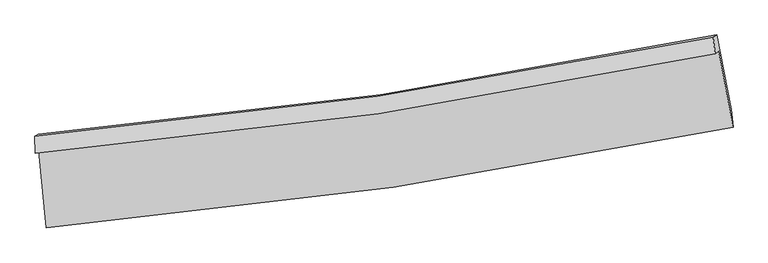
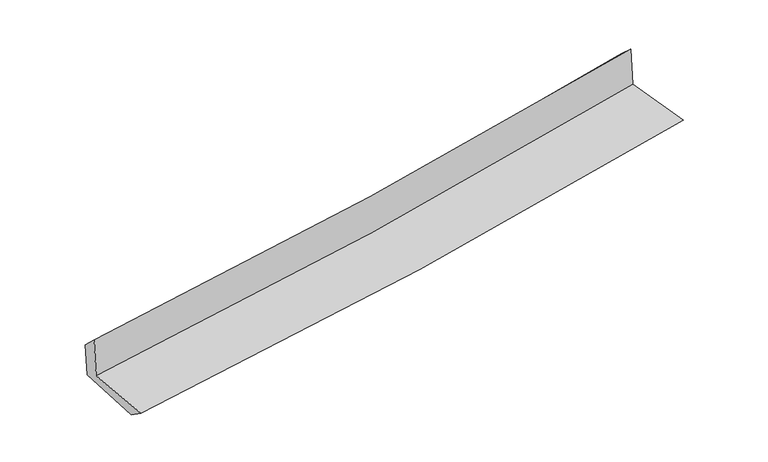
"""IFC4 building model written with IfcOpenShell, lengths in millimetres: proxy geometry."""

from ifc_helpers import new_model, si_unit, frame, origin, place, context, project, spatial, source, transform, mapped, element, save
from ifc_brep_helpers import plane_surface, spline_curve, spline_surface, advanced_brep


def generic_models_d3091068(model_context):
    return source(origin(), model_context, "Body", "AdvancedBrep", [
        advanced_brep(
        [(-2961.5729564, -1900.1111884, 1634.7176568), (-2896.8746032, -2562.8803945, 1616.8285819), (3020.7232604, -1696.7993723, 2121.2405261), (2896.8849583, -1042.3887753, 2144.8229398), (-2993.8693287, -1922.4661089, 2039.6753037), (2865.560091, -1064.1915362, 2539.4387899), (-2995.8766365, -1775.6691327, 1898.6889451), (2850.1037548, -920.0860698, 2412.8675463), (-2968.8746685, -1758.4166458, 1561.7288496), (2879.344908, -901.4028904, 2047.9644485), (-2902.62991, -2406.5249188, 1509.2111728), (3003.3381623, -1543.0195038, 1996.1111015)],
        [
            (0, 1),
            (1, 2, spline_curve(3, [(-2896.8746032, -2562.8803945, 1616.8285819), (-1896.452898573, -2476.921921366, 1707.244125373), (-900.147624416, -2361.152814463, 1794.723079178), (1072.286489439, -2071.74576294, 1962.790120394), (2048.513836574, -1898.821196103, 2043.448481444), (3020.7232604, -1696.7993723, 2121.2405261)], [4, 2, 4], [0.0, 9.861716168070076, 19.604720934094917])),
            (2, 3),
            (3, 0, spline_curve(3, [(2896.8849583, -1042.3887753, 2144.8229398), (1934.131730511, -1242.764875692, 2069.6503731), (967.52993644, -1414.173457775, 1989.840965654), (-985.195012984, -1700.791125424, 1819.919552441), (-1971.412523918, -1815.290014396, 1729.693865968), (-2961.5729564, -1900.1111884, 1634.7176568)], [4, 2, 4], [0.0, 9.743004766024841, 19.604720934094917])),
            (4, 0),
            (3, 5),
            (5, 4, spline_curve(3, [(2865.560091, -1064.1915362, 2539.4387899), (1902.396381181, -1264.848182384, 2469.141548082), (935.508122343, -1436.443344261, 2392.635974354), (-1017.5437028, -1723.247368774, 2226.200355482), (-2003.798583882, -1837.743731152, 2136.118100157), (-2993.8693287, -1922.4661089, 2039.6753037)], [4, 2, 4], [0.0, 9.695116233678084, 19.508360382586677])),
            (6, 4),
            (5, 7),
            (7, 6, spline_curve(3, [(2850.1037548, -920.0860698, 2412.8675463), (1890.562077034, -1119.225279532, 2322.466597778), (926.603020771, -1289.835544683, 2234.661548725), (-1021.948808648, -1575.729342908, 2063.205037976), (-2006.649883045, -1690.313432008, 1979.617220031), (-2995.8766365, -1775.6691327, 1898.6889451)], [4, 2, 4], [0.0, 9.68490708826309, 19.487817700771053])),
            (8, 6),
            (7, 9),
            (9, 8, spline_curve(3, [(2879.344908, -901.4028904, 2047.9644485), (1918.062931272, -1101.654036977, 1979.280855349), (953.044110601, -1272.941422114, 1904.700704748), (-996.270798514, -1559.322778361, 1742.766737493), (-1980.658503706, -1673.706645055, 1655.268355404), (-2968.8746685, -1758.4166458, 1561.7288496)], [4, 2, 4], [0.0, 9.674798659166731, 19.467477678747535])),
            (10, 8),
            (9, 11),
            (11, 10, spline_curve(3, [(3003.3381623, -1543.0195038, 1996.1111015), (2029.440428005, -1724.690424998, 1930.259349422), (1053.321261853, -1887.165883347, 1857.04900068), (-915.280299383, -2175.471636625, 1694.929434917), (-1907.817157456, -2300.831316793, 1605.839807663), (-2902.62991, -2406.5249188, 1509.2111728)], [4, 2, 4], [0.0, 9.72082155715501, 19.560084230145808])),
            (1, 10),
            (11, 2),
        ],
        [
            spline_surface(3, 3, [[(-2961.5729564, -1900.1111884, 1634.7176568), (-1971.412524023, -1815.290014386, 1729.693865874), (-985.195013077, -1700.791125399, 1819.919552593), (967.529936532, -1414.173457799, 1989.840965503), (1934.1317305, -1242.764875777, 2069.650373137), (2896.8849583, -1042.3887753, 2144.8229398)], [(-2940.006838679, -2121.034257069, 1628.754631841), (-1946.425982182, -2035.833983397, 1722.210619029), (-956.845883509, -1920.911688398, 1811.520728112), (1002.44878749, -1633.364226201, 1980.824017139), (1972.259099165, -1461.450315858, 2060.91640921), (2938.16439232, -1260.525640971, 2136.962135241)], [(-2918.440720921, -2341.957325831, 1622.791606859), (-1921.439440304, -2256.3779525, 1714.727372162), (-928.496753947, -2141.032251398, 1803.121903637), (1037.367638444, -1852.554994604, 1971.80706878), (2010.38646787, -1680.135755925, 2052.182445258), (2979.44382638, -1478.662506629, 2129.101330659)], [(-2896.8746032, -2562.8803945, 1616.8285819), (-1896.452898464, -2476.921921511, 1707.244125318), (-900.147624379, -2361.152814396, 1794.723079156), (1072.286489402, -2071.745763006, 1962.790120416), (2048.513836534, -1898.821196007, 2043.448481331), (3020.7232604, -1696.7993723, 2121.2405261)]], [4, 4], [4, 2, 4], [0.0, 2.1859488909073557], [0.0, 9.861716168070076, 19.604720934094917]),
            spline_surface(3, 3, [[(-2993.8693287, -1922.4661089, 2039.6753037), (-2003.798583744, -1837.74373108, 2136.118100214), (-1017.543702796, -1723.247368792, 2226.200355384), (935.508122339, -1436.443344243, 2392.63597445), (1902.396381296, -1264.848182307, 2469.141548052), (2865.560091, -1064.1915362, 2539.4387899)], [(-2983.103871257, -1915.014468759, 1904.689421383), (-1993.003230494, -1830.259158874, 2000.643355417), (-1006.760806213, -1715.761954336, 2090.773421113), (946.182060414, -1429.02004877, 2258.37097146), (1912.974831035, -1257.487080148, 2335.977823073), (2876.001713438, -1056.923949251, 2407.900173192)], [(-2972.338413843, -1907.562828541, 1769.703539117), (-1982.207877273, -1822.774586592, 1865.168610671), (-995.977909661, -1708.276539855, 1955.346486865), (956.855998457, -1421.596753272, 2124.105968493), (1923.553280761, -1250.125977935, 2202.814098117), (2886.443335862, -1049.656362249, 2276.361556508)], [(-2961.5729564, -1900.1111884, 1634.7176568), (-1971.412524023, -1815.290014386, 1729.693865874), (-985.195013077, -1700.791125399, 1819.919552593), (967.529936532, -1414.173457799, 1989.840965503), (1934.1317305, -1242.764875777, 2069.650373137), (2896.8849583, -1042.3887753, 2144.8229398)]], [4, 4], [4, 2, 4], [0.0, 1.3335071615407956], [0.0, 9.813244148908593, 19.508360382586677]),
            spline_surface(3, 3, [[(-2995.8766365, -1775.6691327, 1898.6889451), (-2006.649882938, -1690.313432161, 1979.617220001), (-1021.948808723, -1575.729342963, 2063.205037982), (926.603020845, -1289.835544629, 2234.661548719), (1890.562077085, -1119.225279513, 2322.466597779), (2850.1037548, -920.0860698, 2412.8675463)], [(-2995.207533899, -1824.601458101, 1945.684397977), (-2005.699449872, -1739.456865135, 2031.784180083), (-1020.48044008, -1624.902018236, 2117.536810465), (929.571388011, -1338.704811164, 2287.319690645), (1894.506845165, -1167.766247101, 2371.358247848), (2855.255866876, -968.121225257, 2455.057960811)], [(-2994.538431301, -1873.533783499, 1992.679850823), (-2004.74901681, -1788.600298106, 2083.951140132), (-1019.01207144, -1674.074693519, 2171.868582901), (932.539755173, -1387.574077709, 2339.977832524), (1898.451613216, -1216.307214719, 2420.249897983), (2860.407978924, -1016.156380743, 2497.248375389)], [(-2993.8693287, -1922.4661089, 2039.6753037), (-2003.798583744, -1837.74373108, 2136.118100214), (-1017.543702796, -1723.247368792, 2226.200355384), (935.508122339, -1436.443344243, 2392.63597445), (1902.396381296, -1264.848182307, 2469.141548052), (2865.560091, -1064.1915362, 2539.4387899)]], [4, 4], [4, 2, 4], [0.0, 0.7145747025309945], [0.0, 9.802910612507963, 19.487817700771053]),
            spline_surface(3, 3, [[(-2968.8746685, -1758.4166458, 1561.7288496), (-1980.658503602, -1673.706645146, 1655.268355361), (-996.270798607, -1559.322778358, 1742.766737582), (953.044110694, -1272.941422116, 1904.700704661), (1918.062931225, -1101.654037089, 1979.280855408), (2879.344908, -901.4028904, 2047.9644485)], [(-2977.875324515, -1764.16747476, 1674.048881421), (-1989.322296729, -1679.24224081, 1763.384643563), (-1004.830135321, -1564.791633225, 1849.57950439), (944.230414069, -1278.572796286, 2014.687652688), (1908.895979832, -1107.51111789, 2093.676102866), (2869.597856921, -907.630616859, 2169.598814435)], [(-2986.875980485, -1769.91830374, 1786.368913279), (-1997.98608981, -1684.777836496, 1871.5009318), (-1013.389472009, -1570.260488096, 1956.392271174), (935.41671747, -1284.20417046, 2124.674600692), (1899.729028478, -1113.368198712, 2208.07135032), (2859.850805879, -913.858343341, 2291.233180365)], [(-2995.8766365, -1775.6691327, 1898.6889451), (-2006.649882938, -1690.313432161, 1979.617220001), (-1021.948808723, -1575.729342963, 2063.205037982), (926.603020845, -1289.835544629, 2234.661548719), (1890.562077085, -1119.225279513, 2322.466597779), (2850.1037548, -920.0860698, 2412.8675463)]], [4, 4], [4, 2, 4], [0.0, 1.0715540410804172], [0.0, 9.792679019580804, 19.467477678747535]),
            spline_surface(3, 3, [[(-2902.62991, -2406.5249188, 1509.2111728), (-1907.817157514, -2300.831316649, 1605.839807748), (-915.280299394, -2175.4716367, 1694.929435028), (1053.321261864, -1887.165883272, 1857.049000571), (2029.440427867, -1724.690424884, 1930.259349511), (3003.3381623, -1543.0195038, 1996.1111015)], [(-2924.711496163, -2190.488827785, 1526.71706509), (-1932.097606206, -2091.789759466, 1622.31599031), (-942.277132465, -1970.088683924, 1710.875202532), (1019.895544807, -1682.424396224, 1872.932901921), (1992.314595656, -1517.011628942, 1946.599851493), (2962.007077536, -1329.147299323, 2013.395550516)], [(-2946.793082337, -1974.452736815, 1544.22295731), (-1956.378054909, -1882.748202329, 1638.7921728), (-969.273965536, -1764.705731135, 1726.820970077), (986.469827751, -1477.682909164, 1888.816803311), (1955.188763437, -1309.332833031, 1962.940353426), (2920.675992764, -1115.275094877, 2030.679999484)], [(-2968.8746685, -1758.4166458, 1561.7288496), (-1980.658503602, -1673.706645146, 1655.268355361), (-996.270798607, -1559.322778358, 1742.766737582), (953.044110694, -1272.941422116, 1904.700704661), (1918.062931225, -1101.654037089, 1979.280855408), (2879.344908, -901.4028904, 2047.9644485)]], [4, 4], [4, 2, 4], [0.0, 2.0461063346003274], [0.0, 9.839262672990799, 19.560084230145808]),
            spline_surface(3, 3, [[(-2896.8746032, -2562.8803945, 1616.8285819), (-1896.452898464, -2476.921921511, 1707.244125318), (-900.147624379, -2361.152814396, 1794.723079156), (1072.286489402, -2071.745763006, 1962.790120416), (2048.513836534, -1898.821196007, 2043.448481331), (3020.7232604, -1696.7993723, 2121.2405261)], [(-2898.793038787, -2510.761902626, 1580.956112187), (-1900.240984801, -2418.225053249, 1673.442686115), (-905.191849389, -2299.259088491, 1761.458531113), (1065.964746885, -2010.219136421, 1927.543080468), (2042.156033655, -1840.777605637, 2005.718770728), (3014.92822771, -1645.539416138, 2079.530717904)], [(-2900.711474413, -2458.643410674, 1545.083642513), (-1904.029071177, -2359.52818491, 1639.641246951), (-910.236074384, -2237.365362606, 1728.19398307), (1059.643004382, -1948.692509857, 1892.29604052), (2035.798230747, -1782.734015254, 1967.989060114), (3009.13319499, -1594.279459962, 2037.820909696)], [(-2902.62991, -2406.5249188, 1509.2111728), (-1907.817157514, -2300.831316649, 1605.839807748), (-915.280299394, -2175.4716367, 1694.929435028), (1053.321261864, -1887.165883272, 1857.049000571), (2029.440427867, -1724.690424884, 1930.259349511), (3003.3381623, -1543.0195038, 1996.1111015)]], [4, 4], [4, 2, 4], [0.0, 0.6968914774193704], [0.0, 9.89792501553285, 19.67670276137071]),
            plane_surface(frame((2919.3258558, -1194.6480246, 2210.4075587), z_axis=(0.9793400908940779, 0.1821626278877555, 0.08780525820590984), x_axis=(-0.0797741383695055, -0.05097044308710154, 0.995508965694889))),
            plane_surface(frame((-2953.2830172, -2054.3447315, 1710.1417517), z_axis=(-0.9919414341611511, -0.0945553887799745, -0.08432953010059155), x_axis=(-0.09712136705163348, 0.9949101975683907, 0.026854028309503893))),
        ],
        [
            (0, [[1, 2, 3, 4]]),
            (1, [[5, -4, 6, 7]]),
            (2, [[8, -7, 9, 10]]),
            (3, [[11, -10, 12, 13]]),
            (4, [[14, -13, 15, 16]]),
            (5, [[17, -16, 18, -2]]),
            (6, [[-12, -9, -6, -3, -18, -15]]),
            (7, [[-1, -5, -8, -11, -14, -17]]),
        ],
    ),
    ])


if __name__ == "__main__":
    model = new_model("IFC4")
    model_context = context("Model", 3, world=origin())
    ifc_project = project(units=[si_unit("LENGTHUNIT", "METRE", prefix="MILLI")], contexts=[model_context])
    site = spatial("IfcSite", under=ifc_project)
    building = spatial("IfcBuilding", under=site)
    placement = place(None, origin())
    generic_models_shape = generic_models_d3091068(model_context)
    element("IfcBuildingElementProxy", 1, Name="Generic Models", at=placement, inside=building, context=model_context, shape_type="MappedRepresentation", body=[
        mapped(generic_models_shape, transform((0.0, 0.0, 0.0), x_axis=(1.0, 0.0, 0.0), y_axis=(0.0, 1.0, 0.0), z_axis=(0.0, 0.0, 1.0))),
    ])
    save(model, "model.ifc")
